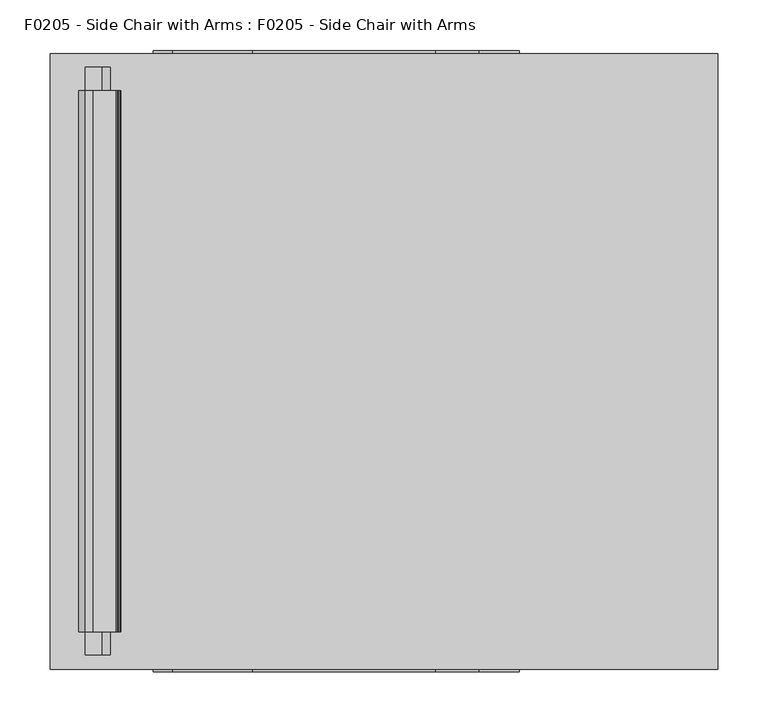
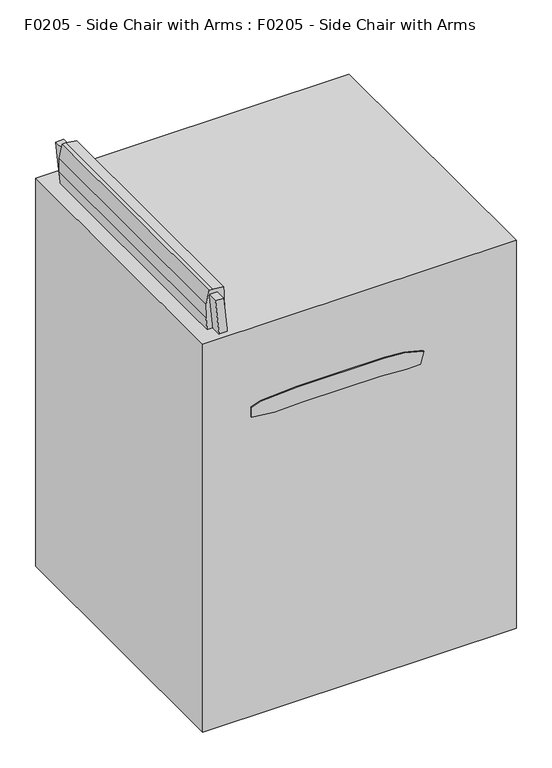
"""IFC4 building model written with IfcOpenShell, lengths in millimetres: proxy geometry, F0205 - Side Chair with Arms : F0205 - Side Chair with Arms."""

from ifc_helpers import new_model, si_unit, frame, origin, origin_with_axes, place, context, project, spatial, polyline, outline, extrude, source, transform, mapped, element, save


def f0205_side_chair_with_arms_f0205_side_chair_with_arms_598bf5c1(model_context):
    return source(origin(), model_context, "Body", "SweptSolid", [
        extrude(outline(polyline([(949.5558695, -288.1891828), (949.0276678, -295.7428189), (920.9464532, -302.0388283), (890.9596762, -302.364601), (766.4444592, -291.4709311), (712.0444312, -282.2922915), (699.4048634, -275.0755148), (701.6800869, -249.0695909), (734.5347731, -247.5019251), (744.2301544, -248.5209507), (775.1826091, -252.8120869), (831.1136295, -257.7054171), (872.5802588, -261.3332771), (887.0899422, -262.6027099), (935.3234911, -264.152458), (946.525946, -265.1325458), (949.5558695, -288.1891828)])), frame((0.0, -267.8488342, 0.0), z_axis=(0.0, 1.0, 0.0), x_axis=(0.0, 0.0, 1.0)), (0.0, 0.0, 1.0), 536.2041409),
        extrude(outline(polyline([(-256.4009052, 523.5214117), (-241.6696752, 524.0358376), (0.2532363, 511.5153378), (242.1729901, 524.0426254), (256.8914817, 523.5286444), (268.3553067, 472.7447876), (248.2006555, 466.9655344), (0.2531025, 454.1861401), (-247.7015659, 466.8926254), (-267.8488342, 472.7447876), (-256.4009052, 523.5214117)])), frame((-276.0175852, 0.0, 0.0), z_axis=(1.0, 0.0, 0.0), x_axis=(0.0, 1.0, 0.0)), (0.0, 0.0, 1.0), 448.6997704),
        extrude(outline(polyline([(688.7736743, -228.6), (667.1445431, -228.6), (661.9341602, -181.3714246), (664.006805, -120.3965081), (664.006805, 42.1384065), (660.8978378, 96.9044584), (660.8978378, 126.6899316), (687.4154537, 134.0660802), (697.5043243, 94.4420938), (700.8875965, 51.2519248), (700.8875965, -129.7992697), (695.7892437, -209.3248816), (688.7736743, -228.6)])), frame((0.0, -307.5947608, 0.0), z_axis=(0.0, 1.0, 0.0), x_axis=(0.0, 0.0, 1.0)), (0.0, 0.0, 1.0), 60.4113562),
        extrude(outline(polyline([(688.7736743, -228.6), (667.1445431, -228.6), (661.9341602, -181.3714246), (664.006805, -120.3965081), (664.006805, 42.1384065), (667.1445431, -13.1344595), (667.1445431, 128.4275172), (687.4154537, 134.0660802), (697.5043243, 94.4420938), (700.8875965, 51.2519248), (700.8875965, -129.7992697), (695.7892437, -209.3248816), (688.7736743, -228.6)])), frame((0.0, 248.2080384, 0.0), z_axis=(0.0, 1.0, 0.0), x_axis=(0.0, 0.0, 1.0)), (0.0, 0.0, 1.0), 59.893195),
        extrude(outline(polyline([(504.8449262, 147.1860068), (504.8449262, -258.5366203), (479.5415809, -260.4830005), (479.5415809, 149.3997627), (504.8449262, 147.1860068)])), frame((0.0, -290.8917348, 0.0), z_axis=(0.0, 1.0, 0.0), x_axis=(0.0, 0.0, 1.0)), (0.0, 0.0, 1.0), 25.4),
        extrude(outline(polyline([(504.8449262, 147.1860068), (504.8449262, -258.5366203), (479.5415809, -260.4830005), (479.5415809, 149.3997627), (504.8449262, 147.1860068)])), frame((0.0, 264.3929274, 0.0), z_axis=(0.0, 1.0, 0.0), x_axis=(0.0, 0.0, 1.0)), (0.0, 0.0, 1.0), 25.4),
        extrude(outline(polyline([(0.0, -297.370228), (642.1831371, -247.9723105), (642.1831371, 101.2776895), (617.1504769, 126.3103497), (505.0230984, 147.1704188), (0.0, 191.3542147), (0.0, 215.7503897), (505.0203406, 172.091969), (627.5762276, 149.2917903), (667.1445431, 107.5467505), (667.1445431, -250.1263819), (940.2581485, -278.8317785), (940.2581485, -295.7126518), (642.1831371, -266.7616436), (0.0, -322.770228), (0.0, -297.370228)])), frame((0.0, -290.8917348, 0.0), z_axis=(0.0, 1.0, 0.0), x_axis=(0.0, 0.0, 1.0)), (0.0, 0.0, 1.0), 26.9964161),
        extrude(outline(polyline([(0.0, -297.370228), (642.1831371, -247.9723105), (642.1831371, 101.2776895), (617.1504769, 126.3103497), (505.0230984, 147.1704188), (0.0, 191.3542147), (0.0, 215.7503897), (505.0203406, 172.091969), (627.5762276, 149.2917903), (667.1445431, 107.5467505), (667.1445431, -250.1263819), (940.2581485, -278.8317785), (940.2581485, -295.7126518), (642.1831371, -266.7616436), (0.0, -322.770228), (0.0, -297.370228)])), frame((0.0, 264.3929274, 0.0), z_axis=(0.0, 1.0, 0.0), x_axis=(0.0, 0.0, 1.0)), (0.0, 0.0, 1.0), 26.9964161),
        extrude(outline(polyline([(330.2, 304.8), (330.2, -304.8), (-330.2, -304.8), (-330.2, 304.8), (330.2, 304.8)])), origin_with_axes(), (0.0, 0.0, 1.0), 863.6),
    ])


if __name__ == "__main__":
    model = new_model("IFC4")
    model_context = context("Model", 3, world=origin())
    ifc_project = project(units=[si_unit("LENGTHUNIT", "METRE", prefix="MILLI")], contexts=[model_context])
    site = spatial("IfcSite", under=ifc_project)
    building = spatial("IfcBuilding", under=site)
    placement = place(None, origin())
    f0205_side_chair_with_arms_f0205_side_chair_with_arms_shape = f0205_side_chair_with_arms_f0205_side_chair_with_arms_598bf5c1(model_context)
    element("IfcBuildingElementProxy", 1, Name="F0205 - Side Chair with Arms : F0205 - Side Chair with Arms", ObjectType="F0205 - Side Chair with Arms : F0205 - Side Chair with Arms", at=placement, inside=building, context=model_context, shape_type="MappedRepresentation", body=[
        mapped(f0205_side_chair_with_arms_f0205_side_chair_with_arms_shape, transform((0.0, 0.0, 0.0), x_axis=(1.0, 0.0, 0.0), y_axis=(0.0, 1.0, 0.0), z_axis=(0.0, 0.0, 1.0))),
    ])
    save(model, "model.ifc")
